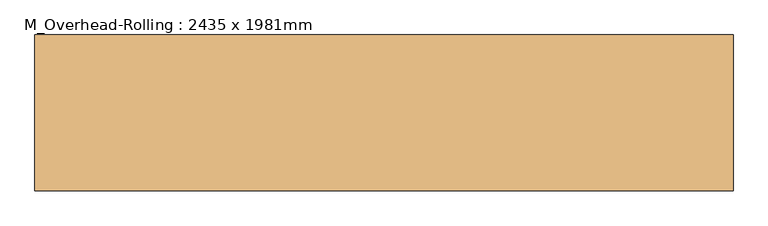
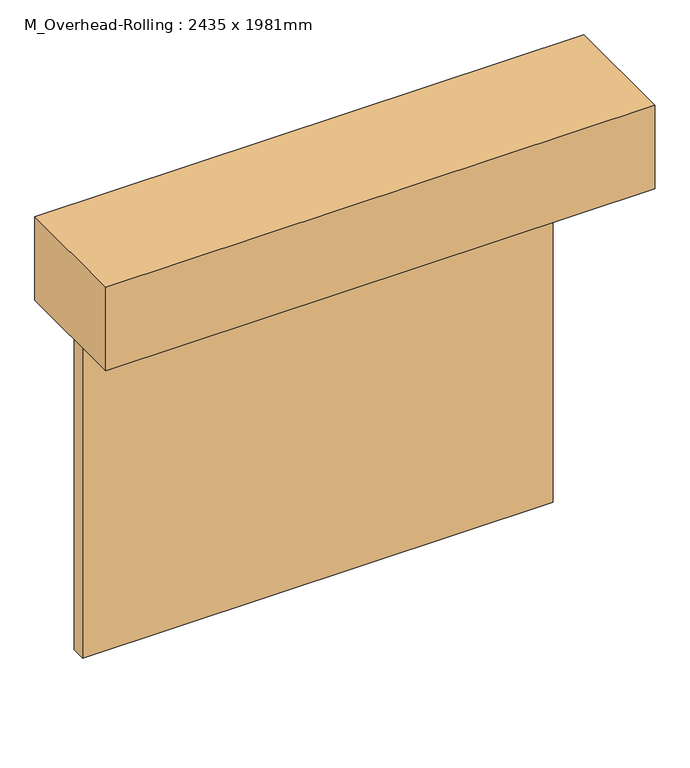
"""IFC4 building model written with IfcOpenShell, lengths in millimetres: door geometry, M_Overhead-Rolling : 2435 x 1981mm."""

import ifcopenshell
import ifcopenshell.guid

model = None  # the IFC model being written
_history = None  # IfcOwnerHistory: only IFC2X3 demands one
_inside = {}  # id of a spatial element -> (the spatial element, [elements in it])
_under = {}  # id of a project, library or spatial element -> (it, [spatial elements below it])
_declared = {}  # id of a project -> (the project, [libraries it declares])
_typed = {}  # id of a type object -> (the type object, [elements of that type])
_made_of = {}  # id of a material, layer set ... -> (it, [elements and type objects made of it])


def new_model(schema):
    """Start an empty IFC model of exactly this schema.

    Asked for "IFC4X3", IfcOpenShell would pick the latest addendum, in which some entities
    have other attributes; the version numbers below select the first issue.
    IFC2X3 requires an IfcOwnerHistory on every rooted entity: one is made here for all.
    """
    global model, _history
    if schema == "IFC4X3":
        model = ifcopenshell.file(schema_version=(4, 3, 0, 0))
    else:
        model = ifcopenshell.file(schema=schema)
    _inside.clear()
    _under.clear()
    _declared.clear()
    _typed.clear()
    _made_of.clear()
    _history = None
    if model.schema == "IFC2X3":
        org = make("IfcOrganization", Name="unknown")
        user = make(
            "IfcPersonAndOrganization",
            ThePerson=make("IfcPerson", FamilyName="unknown"),
            TheOrganization=org,
        )
        app = make(
            "IfcApplication",
            ApplicationDeveloper=org,
            Version="unknown",
            ApplicationFullName="unknown",
            ApplicationIdentifier="unknown",
        )
        _history = make(
            "IfcOwnerHistory",
            OwningUser=user,
            OwningApplication=app,
            ChangeAction="ADDED",
            CreationDate=0,
        )
    return model


def make(cls, **values):
    """One entity of the class cls with the attributes given. An attribute that is None is left unset."""
    return model.create_entity(
        cls, **{name: value for name, value in values.items() if value is not None}
    )


def rooted(cls, **values):
    """An entity with a GlobalId (a new one), such as an element, a storey or a relation."""
    return make(cls, GlobalId=ifcopenshell.guid.new(), OwnerHistory=_history, **values)


def si_unit(unit_type, name, prefix=None):
    """IfcSIUnit, for example si_unit("LENGTHUNIT", "METRE", prefix="MILLI")."""
    return make("IfcSIUnit", UnitType=unit_type, Prefix=prefix, Name=name)


def assignment(units):
    """IfcUnitAssignment: the units of a project."""
    return None if units is None else make("IfcUnitAssignment", Units=units)


def point(xyz):
    """IfcCartesianPoint."""
    return None if xyz is None else make("IfcCartesianPoint", Coordinates=xyz)


def direction(xyz):
    """IfcDirection."""
    return None if xyz is None else make("IfcDirection", DirectionRatios=xyz)


def frame(location, z_axis=None, x_axis=None):
    """IfcAxis2Placement3D, a coordinate frame: its origin and axes. An axis left out is left unset."""
    return make(
        "IfcAxis2Placement3D",
        Location=point(location),
        Axis=direction(z_axis),
        RefDirection=direction(x_axis),
    )


def origin():
    """The frame at (0, 0, 0) with its axes left unset."""
    return frame((0.0, 0.0, 0.0))


def origin_with_axes():
    """The frame at (0, 0, 0) with the z axis (0, 0, 1) and the x axis (1, 0, 0) written out."""
    return frame((0.0, 0.0, 0.0), z_axis=(0.0, 0.0, 1.0), x_axis=(1.0, 0.0, 0.0))


def place(relative_to, where):
    """IfcLocalPlacement: puts the frame where relative to a parent placement (None: the world)."""
    return make(
        "IfcLocalPlacement", PlacementRelTo=relative_to, RelativePlacement=where
    )


def context(
    kind, dimensions, precision=None, world=None, true_north=None, identifier=None
):
    """IfcGeometricRepresentationContext, for example the 3D "Model" context."""
    return make(
        "IfcGeometricRepresentationContext",
        ContextIdentifier=identifier,
        ContextType=kind,
        CoordinateSpaceDimension=dimensions,
        Precision=precision,
        WorldCoordinateSystem=world,
        TrueNorth=true_north,
    )


def project(units=None, contexts=None):
    """IfcProject with its units and contexts."""
    return rooted(
        "IfcProject",
        Name="project",
        RepresentationContexts=contexts,
        UnitsInContext=assignment(units),
    )


def spatial(cls, under=None, at=None, **own):
    """A site, building, storey or space (cls), placed at a placement, below another one or the project."""
    s = rooted(cls, ObjectPlacement=at, **own)
    if under is not None:
        _under.setdefault(under.id(), (under, []))[1].append(s)
    return s


def polyline(points):
    """IfcPolyline through the points."""
    return make("IfcPolyline", Points=[point(p) for p in points])


def outline(outer, holes=None, kind="AREA"):
    """IfcArbitraryClosedProfileDef: a profile drawn as a closed curve; with holes, ...WithVoids."""
    if holes is None:
        return make("IfcArbitraryClosedProfileDef", ProfileType=kind, OuterCurve=outer)
    return make(
        "IfcArbitraryProfileDefWithVoids",
        ProfileType=kind,
        OuterCurve=outer,
        InnerCurves=holes,
    )


def extrude(swept, where, along, depth):
    """IfcExtrudedAreaSolid: the profile swept, set in the frame where, extruded along a direction by depth."""
    return make(
        "IfcExtrudedAreaSolid",
        SweptArea=swept,
        Position=where,
        ExtrudedDirection=direction(along),
        Depth=depth,
    )


def shape(context_of_items, identifier, shape_type, items):
    """IfcShapeRepresentation: the items that make up one representation, for example the "Body"."""
    return make(
        "IfcShapeRepresentation",
        ContextOfItems=context_of_items,
        RepresentationIdentifier=identifier,
        RepresentationType=shape_type,
        Items=items,
    )


def source(mapping_origin, context_of_items, identifier, shape_type, items):
    """IfcRepresentationMap: a shape defined once, which mapped items show again and again."""
    return make(
        "IfcRepresentationMap",
        MappingOrigin=mapping_origin,
        MappedRepresentation=shape(context_of_items, identifier, shape_type, items),
    )


def transform(
    local_origin,
    x_axis=None,
    y_axis=None,
    z_axis=None,
    scale=None,
    scale2=None,
    scale3=None,
    uniform=True,
):
    """IfcCartesianTransformationOperator3D, or its non-uniform kind. x_axis, y_axis, z_axis: its Axis1, 2, 3."""
    if uniform:
        return make(
            "IfcCartesianTransformationOperator3D",
            Axis1=direction(x_axis),
            Axis2=direction(y_axis),
            LocalOrigin=point(local_origin),
            Scale=scale,
            Axis3=direction(z_axis),
        )
    return make(
        "IfcCartesianTransformationOperator3DnonUniform",
        Axis1=direction(x_axis),
        Axis2=direction(y_axis),
        LocalOrigin=point(local_origin),
        Scale=scale,
        Axis3=direction(z_axis),
        Scale2=scale2,
        Scale3=scale3,
    )


def mapped(mapping_source, mapping_target):
    """IfcMappedItem: shows the shape of a source again, moved by a transform."""
    return make(
        "IfcMappedItem", MappingSource=mapping_source, MappingTarget=mapping_target
    )


def made_of(thing, what):
    """Note that an element or type object is made of a material, layer set ...; save() writes the relation."""
    if what is not None:
        _made_of.setdefault(what.id(), (what, []))[1].append(thing)
    return thing


def element(
    cls,
    number,
    at=None,
    inside=None,
    cuts=None,
    type_object=None,
    material=None,
    context=None,
    identifier="Body",
    shape_type=None,
    held_by="IfcProductDefinitionShape",
    body=None,
    shapes=None,
    **own,
):
    """One element of the class cls, such as IfcWall. Its Tag is "e" and its number.

    at: its placement. inside: the storey or other place that contains it. cuts: it is an
    opening in that element (IfcRelVoidsElement). A single representation is given by context,
    identifier, shape_type and body (its items); several are given by shapes. held_by: the class
    of the entity that holds the representations. save() writes the other relations.
    """
    e = rooted(cls, Tag="e%d" % number, ObjectPlacement=at, **own)
    if body is not None:
        shapes = [shape(context, identifier, shape_type, body)]
    if shapes is not None:
        e.Representation = make(held_by, Representations=shapes)
    if inside is not None:
        _inside.setdefault(inside.id(), (inside, []))[1].append(e)
    if cuts is not None:
        rooted(
            "IfcRelVoidsElement", RelatingBuildingElement=cuts, RelatedOpeningElement=e
        )
    if type_object is not None:
        _typed.setdefault(type_object.id(), (type_object, []))[1].append(e)
    return made_of(e, material)


def aggregate(whole, parts):
    """IfcRelAggregates: a whole, such as a stair, and the parts it consists of."""
    return rooted("IfcRelAggregates", RelatingObject=whole, RelatedObjects=parts)


def save(model, path):
    """Write the relations noted so far, then the file.

    IfcRelAggregates (storeys below a building ...), IfcRelContainedInSpatialStructure (elements
    in a storey), IfcRelDefinesByType, IfcRelAssociatesMaterial and IfcRelDeclares: one each for
    every whole, place, type object, material and project.
    """
    for whole, parts in _under.values():
        aggregate(whole, parts)
    for where, things in _inside.values():
        rooted(
            "IfcRelContainedInSpatialStructure",
            RelatedElements=things,
            RelatingStructure=where,
        )
    for kind, things in _typed.values():
        rooted("IfcRelDefinesByType", RelatedObjects=things, RelatingType=kind)
    for what, things in _made_of.values():
        rooted("IfcRelAssociatesMaterial", RelatedObjects=things, RelatingMaterial=what)
    for by, libraries in _declared.values():
        rooted("IfcRelDeclares", RelatingContext=by, RelatedDefinitions=libraries)
    model.write(path)


def m_overhead_rolling_2435_x_1981mm_adc166bd(model_context):
    return source(origin(), model_context, "Body", "SweptSolid", [
        extrude(outline(polyline([(1217.5, -100.0), (1217.5, -176.0), (-1217.5, -176.0), (-1217.5, -100.0), (1217.5, -100.0)])), origin_with_axes(), (0.0, 0.0, 1.0), 1981.0),
        extrude(outline(polyline([(1420.7, -734.8), (-1420.7, -734.8), (-1420.7, -100.0), (1420.7, -100.0), (1420.7, -734.8)])), frame((0.0, 0.0, 1981.0), z_axis=(0.0, 0.0, 1.0), x_axis=(1.0, 0.0, 0.0)), (0.0, 0.0, 1.0), 457.2),
    ])


if __name__ == "__main__":
    model = new_model("IFC4")
    model_context = context("Model", 3, world=origin())
    ifc_project = project(units=[si_unit("LENGTHUNIT", "METRE", prefix="MILLI")], contexts=[model_context])
    site = spatial("IfcSite", under=ifc_project)
    building = spatial("IfcBuilding", under=site)
    placement = place(None, origin())
    m_overhead_rolling_2435_x_1981mm_shape = m_overhead_rolling_2435_x_1981mm_adc166bd(model_context)
    element("IfcDoor", 1, ObjectType="M_Overhead-Rolling : 2435 x 1981mm", at=placement, inside=building, context=model_context, shape_type="MappedRepresentation", body=[
        mapped(m_overhead_rolling_2435_x_1981mm_shape, transform((0.0, 0.0, 0.0), x_axis=(1.0, 0.0, 0.0), y_axis=(0.0, 1.0, 0.0), z_axis=(0.0, 0.0, 1.0))),
    ])
    save(model, "model.ifc")
